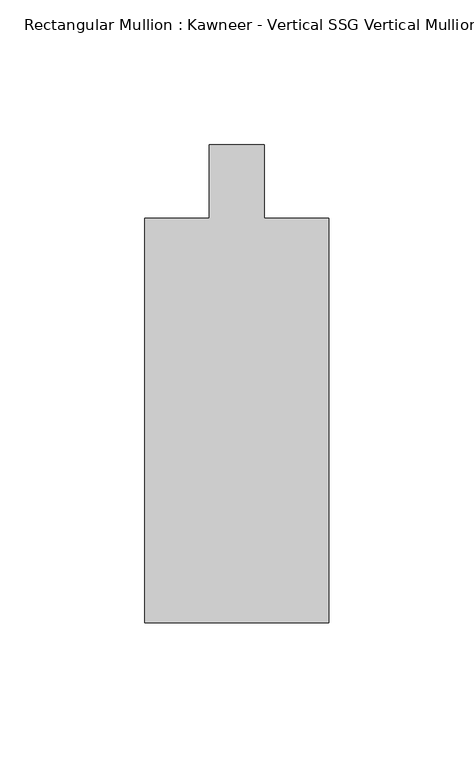
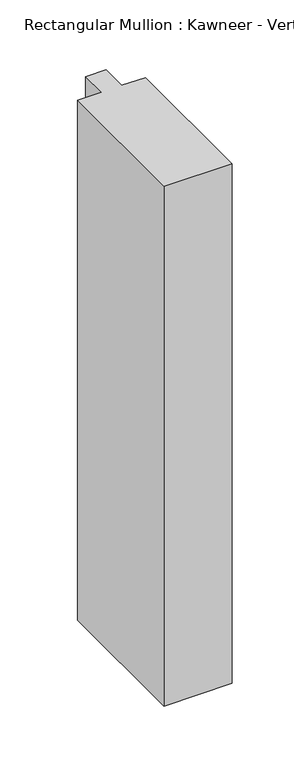
"""IFC4 building model written with IfcOpenShell, lengths in millimetres: member geometry."""

from ifc_helpers import new_model, si_unit, frame, origin, place, context, project, spatial, polyline, outline, extrude, source, transform, mapped, element, save


def member_774224ed(model_context):
    return source(origin(), model_context, "Body", "SweptSolid", [
        extrude(outline(polyline([(-31.75, -12.7), (-9.5251132, -12.7), (-9.5251132, 12.7), (9.5251132, 12.7), (9.5251132, -12.7), (31.75, -12.7), (31.75, -152.399995), (-31.75, -152.399995), (-31.75, -12.7)])), frame((0.0, 0.0, -512.3791987), z_axis=(0.0, 0.0, 1.0), x_axis=(1.0, 0.0, 0.0)), (0.0, 0.0, 1.0), 512.3791987),
    ])


if __name__ == "__main__":
    model = new_model("IFC4")
    model_context = context("Model", 3, world=origin())
    ifc_project = project(units=[si_unit("LENGTHUNIT", "METRE", prefix="MILLI")], contexts=[model_context])
    site = spatial("IfcSite", under=ifc_project)
    building = spatial("IfcBuilding", under=site)
    placement = place(None, origin())
    member_shape = member_774224ed(model_context)
    element("IfcMember", 1, ObjectType="Rectangular Mullion : Kawneer - Vertical SSG Vertical Mullion - 7 1/2\"", at=placement, inside=building, context=model_context, shape_type="MappedRepresentation", body=[
        mapped(member_shape, transform((0.0, 0.0, 0.0), x_axis=(1.0, 0.0, 0.0), y_axis=(0.0, 1.0, 0.0), z_axis=(0.0, 0.0, 1.0))),
    ])
    save(model, "model.ifc")
